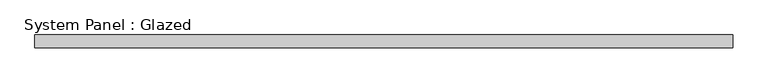
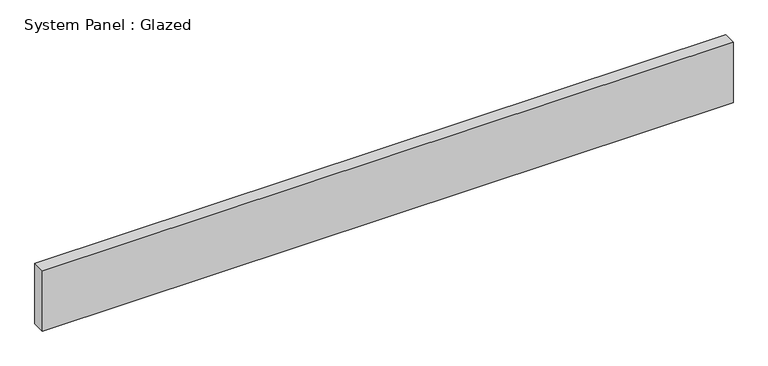
"""IFC4 building model written with IfcOpenShell, lengths in millimetres: plate geometry, System Panel : Glazed."""

import ifcopenshell
import ifcopenshell.guid

model = None  # the IFC model being written
_history = None  # IfcOwnerHistory: only IFC2X3 demands one
_inside = {}  # id of a spatial element -> (the spatial element, [elements in it])
_under = {}  # id of a project, library or spatial element -> (it, [spatial elements below it])
_declared = {}  # id of a project -> (the project, [libraries it declares])
_typed = {}  # id of a type object -> (the type object, [elements of that type])
_made_of = {}  # id of a material, layer set ... -> (it, [elements and type objects made of it])


def new_model(schema):
    """Start an empty IFC model of exactly this schema.

    Asked for "IFC4X3", IfcOpenShell would pick the latest addendum, in which some entities
    have other attributes; the version numbers below select the first issue.
    IFC2X3 requires an IfcOwnerHistory on every rooted entity: one is made here for all.
    """
    global model, _history
    if schema == "IFC4X3":
        model = ifcopenshell.file(schema_version=(4, 3, 0, 0))
    else:
        model = ifcopenshell.file(schema=schema)
    _inside.clear()
    _under.clear()
    _declared.clear()
    _typed.clear()
    _made_of.clear()
    _history = None
    if model.schema == "IFC2X3":
        org = make("IfcOrganization", Name="unknown")
        user = make(
            "IfcPersonAndOrganization",
            ThePerson=make("IfcPerson", FamilyName="unknown"),
            TheOrganization=org,
        )
        app = make(
            "IfcApplication",
            ApplicationDeveloper=org,
            Version="unknown",
            ApplicationFullName="unknown",
            ApplicationIdentifier="unknown",
        )
        _history = make(
            "IfcOwnerHistory",
            OwningUser=user,
            OwningApplication=app,
            ChangeAction="ADDED",
            CreationDate=0,
        )
    return model


def make(cls, **values):
    """One entity of the class cls with the attributes given. An attribute that is None is left unset."""
    return model.create_entity(
        cls, **{name: value for name, value in values.items() if value is not None}
    )


def rooted(cls, **values):
    """An entity with a GlobalId (a new one), such as an element, a storey or a relation."""
    return make(cls, GlobalId=ifcopenshell.guid.new(), OwnerHistory=_history, **values)


def si_unit(unit_type, name, prefix=None):
    """IfcSIUnit, for example si_unit("LENGTHUNIT", "METRE", prefix="MILLI")."""
    return make("IfcSIUnit", UnitType=unit_type, Prefix=prefix, Name=name)


def assignment(units):
    """IfcUnitAssignment: the units of a project."""
    return None if units is None else make("IfcUnitAssignment", Units=units)


def point(xyz):
    """IfcCartesianPoint."""
    return None if xyz is None else make("IfcCartesianPoint", Coordinates=xyz)


def direction(xyz):
    """IfcDirection."""
    return None if xyz is None else make("IfcDirection", DirectionRatios=xyz)


def frame(location, z_axis=None, x_axis=None):
    """IfcAxis2Placement3D, a coordinate frame: its origin and axes. An axis left out is left unset."""
    return make(
        "IfcAxis2Placement3D",
        Location=point(location),
        Axis=direction(z_axis),
        RefDirection=direction(x_axis),
    )


def origin():
    """The frame at (0, 0, 0) with its axes left unset."""
    return frame((0.0, 0.0, 0.0))


def origin_with_axes():
    """The frame at (0, 0, 0) with the z axis (0, 0, 1) and the x axis (1, 0, 0) written out."""
    return frame((0.0, 0.0, 0.0), z_axis=(0.0, 0.0, 1.0), x_axis=(1.0, 0.0, 0.0))


def place(relative_to, where):
    """IfcLocalPlacement: puts the frame where relative to a parent placement (None: the world)."""
    return make(
        "IfcLocalPlacement", PlacementRelTo=relative_to, RelativePlacement=where
    )


def context(
    kind, dimensions, precision=None, world=None, true_north=None, identifier=None
):
    """IfcGeometricRepresentationContext, for example the 3D "Model" context."""
    return make(
        "IfcGeometricRepresentationContext",
        ContextIdentifier=identifier,
        ContextType=kind,
        CoordinateSpaceDimension=dimensions,
        Precision=precision,
        WorldCoordinateSystem=world,
        TrueNorth=true_north,
    )


def project(units=None, contexts=None):
    """IfcProject with its units and contexts."""
    return rooted(
        "IfcProject",
        Name="project",
        RepresentationContexts=contexts,
        UnitsInContext=assignment(units),
    )


def spatial(cls, under=None, at=None, **own):
    """A site, building, storey or space (cls), placed at a placement, below another one or the project."""
    s = rooted(cls, ObjectPlacement=at, **own)
    if under is not None:
        _under.setdefault(under.id(), (under, []))[1].append(s)
    return s


def polyline(points):
    """IfcPolyline through the points."""
    return make("IfcPolyline", Points=[point(p) for p in points])


def outline(outer, holes=None, kind="AREA"):
    """IfcArbitraryClosedProfileDef: a profile drawn as a closed curve; with holes, ...WithVoids."""
    if holes is None:
        return make("IfcArbitraryClosedProfileDef", ProfileType=kind, OuterCurve=outer)
    return make(
        "IfcArbitraryProfileDefWithVoids",
        ProfileType=kind,
        OuterCurve=outer,
        InnerCurves=holes,
    )


def extrude(swept, where, along, depth):
    """IfcExtrudedAreaSolid: the profile swept, set in the frame where, extruded along a direction by depth."""
    return make(
        "IfcExtrudedAreaSolid",
        SweptArea=swept,
        Position=where,
        ExtrudedDirection=direction(along),
        Depth=depth,
    )


def shape(context_of_items, identifier, shape_type, items):
    """IfcShapeRepresentation: the items that make up one representation, for example the "Body"."""
    return make(
        "IfcShapeRepresentation",
        ContextOfItems=context_of_items,
        RepresentationIdentifier=identifier,
        RepresentationType=shape_type,
        Items=items,
    )


def source(mapping_origin, context_of_items, identifier, shape_type, items):
    """IfcRepresentationMap: a shape defined once, which mapped items show again and again."""
    return make(
        "IfcRepresentationMap",
        MappingOrigin=mapping_origin,
        MappedRepresentation=shape(context_of_items, identifier, shape_type, items),
    )


def transform(
    local_origin,
    x_axis=None,
    y_axis=None,
    z_axis=None,
    scale=None,
    scale2=None,
    scale3=None,
    uniform=True,
):
    """IfcCartesianTransformationOperator3D, or its non-uniform kind. x_axis, y_axis, z_axis: its Axis1, 2, 3."""
    if uniform:
        return make(
            "IfcCartesianTransformationOperator3D",
            Axis1=direction(x_axis),
            Axis2=direction(y_axis),
            LocalOrigin=point(local_origin),
            Scale=scale,
            Axis3=direction(z_axis),
        )
    return make(
        "IfcCartesianTransformationOperator3DnonUniform",
        Axis1=direction(x_axis),
        Axis2=direction(y_axis),
        LocalOrigin=point(local_origin),
        Scale=scale,
        Axis3=direction(z_axis),
        Scale2=scale2,
        Scale3=scale3,
    )


def mapped(mapping_source, mapping_target):
    """IfcMappedItem: shows the shape of a source again, moved by a transform."""
    return make(
        "IfcMappedItem", MappingSource=mapping_source, MappingTarget=mapping_target
    )


def made_of(thing, what):
    """Note that an element or type object is made of a material, layer set ...; save() writes the relation."""
    if what is not None:
        _made_of.setdefault(what.id(), (what, []))[1].append(thing)
    return thing


def element(
    cls,
    number,
    at=None,
    inside=None,
    cuts=None,
    type_object=None,
    material=None,
    context=None,
    identifier="Body",
    shape_type=None,
    held_by="IfcProductDefinitionShape",
    body=None,
    shapes=None,
    **own,
):
    """One element of the class cls, such as IfcWall. Its Tag is "e" and its number.

    at: its placement. inside: the storey or other place that contains it. cuts: it is an
    opening in that element (IfcRelVoidsElement). A single representation is given by context,
    identifier, shape_type and body (its items); several are given by shapes. held_by: the class
    of the entity that holds the representations. save() writes the other relations.
    """
    e = rooted(cls, Tag="e%d" % number, ObjectPlacement=at, **own)
    if body is not None:
        shapes = [shape(context, identifier, shape_type, body)]
    if shapes is not None:
        e.Representation = make(held_by, Representations=shapes)
    if inside is not None:
        _inside.setdefault(inside.id(), (inside, []))[1].append(e)
    if cuts is not None:
        rooted(
            "IfcRelVoidsElement", RelatingBuildingElement=cuts, RelatedOpeningElement=e
        )
    if type_object is not None:
        _typed.setdefault(type_object.id(), (type_object, []))[1].append(e)
    return made_of(e, material)


def aggregate(whole, parts):
    """IfcRelAggregates: a whole, such as a stair, and the parts it consists of."""
    return rooted("IfcRelAggregates", RelatingObject=whole, RelatedObjects=parts)


def save(model, path):
    """Write the relations noted so far, then the file.

    IfcRelAggregates (storeys below a building ...), IfcRelContainedInSpatialStructure (elements
    in a storey), IfcRelDefinesByType, IfcRelAssociatesMaterial and IfcRelDeclares: one each for
    every whole, place, type object, material and project.
    """
    for whole, parts in _under.values():
        aggregate(whole, parts)
    for where, things in _inside.values():
        rooted(
            "IfcRelContainedInSpatialStructure",
            RelatedElements=things,
            RelatingStructure=where,
        )
    for kind, things in _typed.values():
        rooted("IfcRelDefinesByType", RelatedObjects=things, RelatingType=kind)
    for what, things in _made_of.values():
        rooted("IfcRelAssociatesMaterial", RelatedObjects=things, RelatingMaterial=what)
    for by, libraries in _declared.values():
        rooted("IfcRelDeclares", RelatingContext=by, RelatedDefinitions=libraries)
    model.write(path)


def system_panel_glazed_94605eb7(model_context):
    return source(origin(), model_context, "Body", "SweptSolid", [
        extrude(outline(polyline([(685.8, -12.7), (-685.8, -12.7), (-685.8, 12.7), (685.8, 12.7), (685.8, -12.7)])), origin_with_axes(), (0.0, 0.0, 1.0), 127.0),
    ])


if __name__ == "__main__":
    model = new_model("IFC4")
    model_context = context("Model", 3, world=origin())
    ifc_project = project(units=[si_unit("LENGTHUNIT", "METRE", prefix="MILLI")], contexts=[model_context])
    site = spatial("IfcSite", under=ifc_project)
    building = spatial("IfcBuilding", under=site)
    placement = place(None, origin())
    system_panel_glazed_shape = system_panel_glazed_94605eb7(model_context)
    element("IfcPlate", 1, ObjectType="System Panel : Glazed", at=placement, inside=building, context=model_context, shape_type="MappedRepresentation", body=[
        mapped(system_panel_glazed_shape, transform((0.0, 0.0, 0.0), x_axis=(1.0, 0.0, 0.0), y_axis=(0.0, 1.0, 0.0), z_axis=(0.0, 0.0, 1.0))),
    ])
    save(model, "model.ifc")
